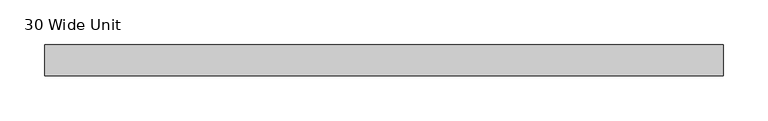
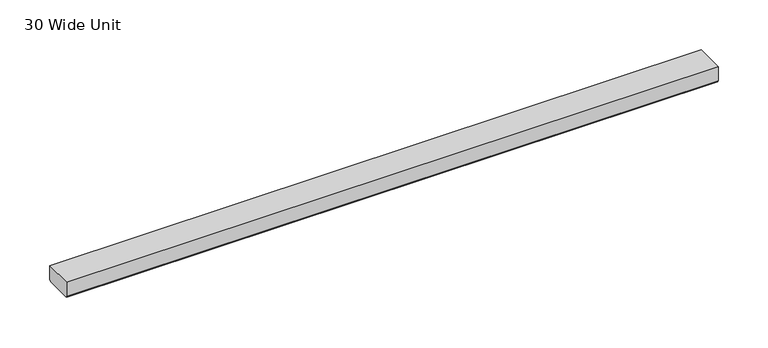
"""IFC4 building model written with IfcOpenShell, lengths in millimetres: furniture geometry, 30 Wide Unit."""

from ifc_helpers import new_model, si_unit, origin, place, context, project, spatial, faceted_brep, source, transform, mapped, element, save


def furniture_30_wide_unit_15a199f9(model_context):
    return source(origin(), model_context, "Body", "Brep", [
        faceted_brep([(756.92, -199.1365428, 346.0749998), (756.92, -199.1365428, 328.9554067), (756.92, -198.6157759, 327.698164), (756.92, -197.3585412, 327.1774003), (756.92, -166.8785388, 327.1774003), (756.92, -165.6213041, 327.698164), (756.92, -165.100539, 328.9554023), (756.92, -165.100539, 346.0749998), (3.302, -199.1365428, 346.0749998), (3.302, -165.100539, 346.0749998), (3.302, -165.100539, 328.9554023), (3.302, -165.6213041, 327.698164), (3.302, -166.8785388, 327.1774003), (3.302, -197.3585412, 327.1774003), (3.302, -198.6157759, 327.698164), (3.302, -199.1365428, 328.9554067), (151.511, -189.1035433, 327.1774003), (608.711, -189.1035433, 327.1774003), (608.711, -175.1335385, 327.1774003), (151.511, -175.1335385, 327.1774003), (151.511, -189.1035433, 329.9531597), (151.511, -175.1335385, 329.9531597), (608.711, -175.1335385, 329.9531597), (608.711, -189.1035433, 329.9531597)], [[[0, 1, 2, 3, 4, 5, 6, 7]], [[8, 9, 10, 11, 12, 13, 14, 15]], [[1, 0, 8, 15]], [[2, 1, 15, 14]], [[3, 2, 14, 13]], [[4, 3, 13, 12], [16, 17, 18, 19]], [[5, 4, 12, 11]], [[6, 5, 11, 10]], [[7, 6, 10, 9]], [[0, 7, 9, 8]], [[20, 21, 22, 23]], [[20, 23, 17, 16]], [[23, 22, 18, 17]], [[22, 21, 19, 18]], [[21, 20, 16, 19]]]),
    ])


if __name__ == "__main__":
    model = new_model("IFC4")
    model_context = context("Model", 3, world=origin())
    ifc_project = project(units=[si_unit("LENGTHUNIT", "METRE", prefix="MILLI")], contexts=[model_context])
    site = spatial("IfcSite", under=ifc_project)
    building = spatial("IfcBuilding", under=site)
    placement = place(None, origin())
    furniture_30_wide_unit_shape = furniture_30_wide_unit_15a199f9(model_context)
    element("IfcFurniture", 1, ObjectType="30 Wide Unit", at=placement, inside=building, context=model_context, shape_type="MappedRepresentation", body=[
        mapped(furniture_30_wide_unit_shape, transform((0.0, 0.0, 0.0), x_axis=(1.0, 0.0, 0.0), y_axis=(0.0, 1.0, 0.0), z_axis=(0.0, 0.0, 1.0))),
    ])
    save(model, "model.ifc")
